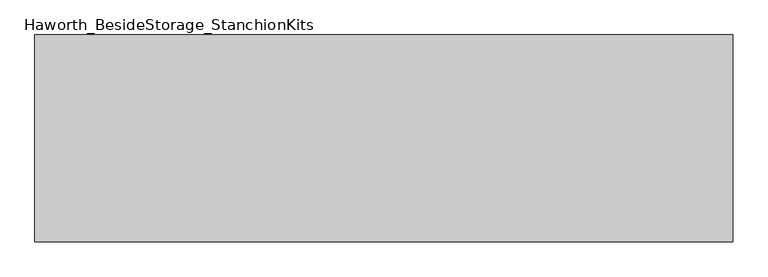
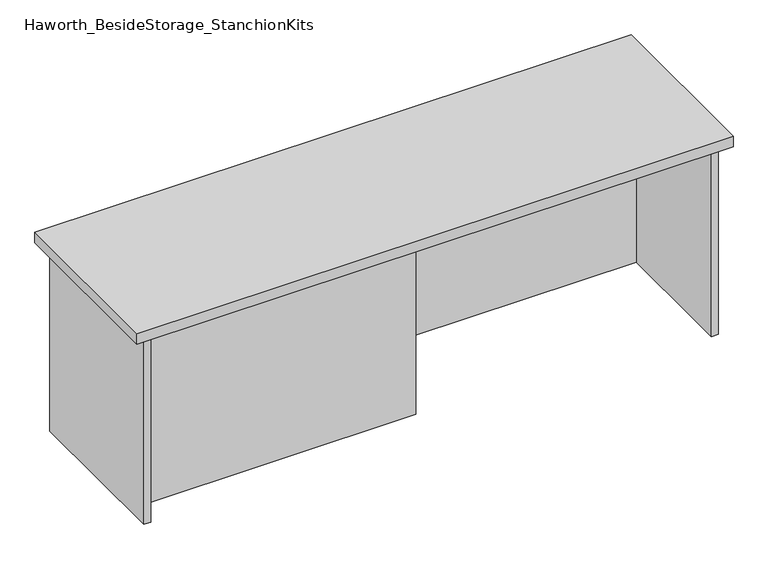
"""IFC4 building model written with IfcOpenShell, lengths in millimetres: furniture geometry, Haworth_BesideStorage_StanchionKits."""

from ifc_helpers import new_model, si_unit, frame, origin, place, context, project, spatial, polyline, outline, extrude, source, transform, mapped, element, save


def haworth_besidestorage_stanchionkits_a3e24416(model_context):
    return source(origin(), model_context, "Body", "SweptSolid", [
        extrude(outline(polyline([(847.725, 0.0), (847.725, -406.4), (-523.875, -406.4), (-523.875, 0.0), (847.725, 0.0)])), frame((0.0, 0.0, 889.0), z_axis=(0.0, 0.0, 1.0), x_axis=(1.0, 0.0, 0.0)), (0.0, 0.0, 1.0), 25.4),
        extrude(outline(polyline([(161.925, -76.2), (806.45, -76.2), (806.45, -92.075), (161.925, -92.075), (161.925, -76.2)])), frame((0.0, 0.0, 431.8), z_axis=(0.0, 0.0, 1.0), x_axis=(1.0, 0.0, 0.0)), (0.0, 0.0, 1.0), 457.2),
        extrude(outline(polyline([(161.925, -314.325), (161.925, -330.2), (-482.6, -330.2), (-482.6, -314.325), (161.925, -314.325)])), frame((0.0, 0.0, 431.8), z_axis=(0.0, 0.0, 1.0), x_axis=(1.0, 0.0, 0.0)), (0.0, 0.0, 1.0), 457.2),
        extrude(outline(polyline([(822.325, -390.525), (806.45, -390.525), (806.45, -15.875), (822.325, -15.875), (822.325, -390.525)])), frame((0.0, 0.0, 431.8), z_axis=(0.0, 0.0, 1.0), x_axis=(1.0, 0.0, 0.0)), (0.0, 0.0, 1.0), 457.2),
        extrude(outline(polyline([(-482.6, -390.525), (-498.475, -390.525), (-498.475, -15.875), (-482.6, -15.875), (-482.6, -390.525)])), frame((0.0, 0.0, 431.8), z_axis=(0.0, 0.0, 1.0), x_axis=(1.0, 0.0, 0.0)), (0.0, 0.0, 1.0), 457.2),
    ])


if __name__ == "__main__":
    model = new_model("IFC4")
    model_context = context("Model", 3, world=origin())
    ifc_project = project(units=[si_unit("LENGTHUNIT", "METRE", prefix="MILLI")], contexts=[model_context])
    site = spatial("IfcSite", under=ifc_project)
    building = spatial("IfcBuilding", under=site)
    placement = place(None, origin())
    haworth_besidestorage_stanchionkits_shape = haworth_besidestorage_stanchionkits_a3e24416(model_context)
    element("IfcFurniture", 1, ObjectType="Haworth_BesideStorage_StanchionKits", at=placement, inside=building, context=model_context, shape_type="MappedRepresentation", body=[
        mapped(haworth_besidestorage_stanchionkits_shape, transform((0.0, 0.0, 0.0), x_axis=(1.0, 0.0, 0.0), y_axis=(0.0, 1.0, 0.0), z_axis=(0.0, 0.0, 1.0))),
    ])
    save(model, "model.ifc")
